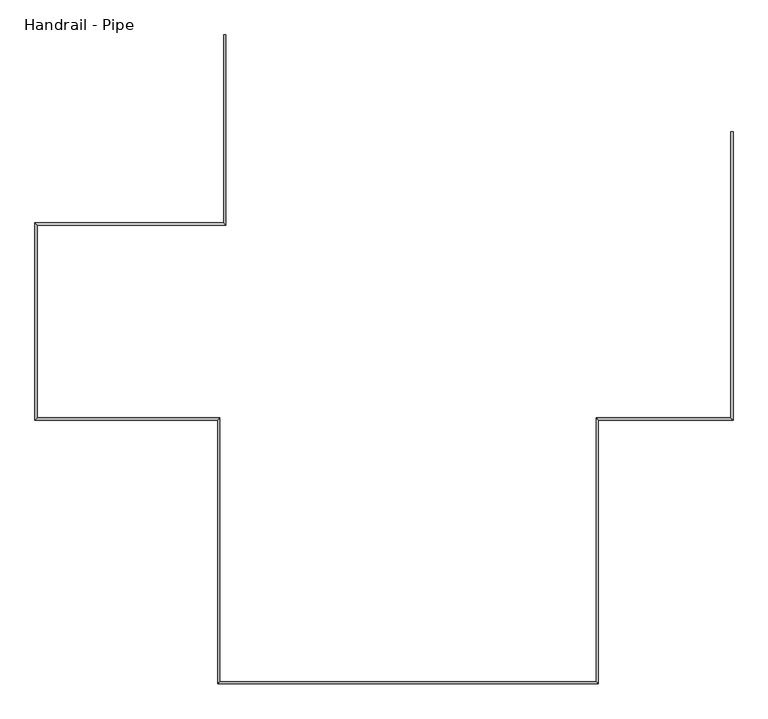
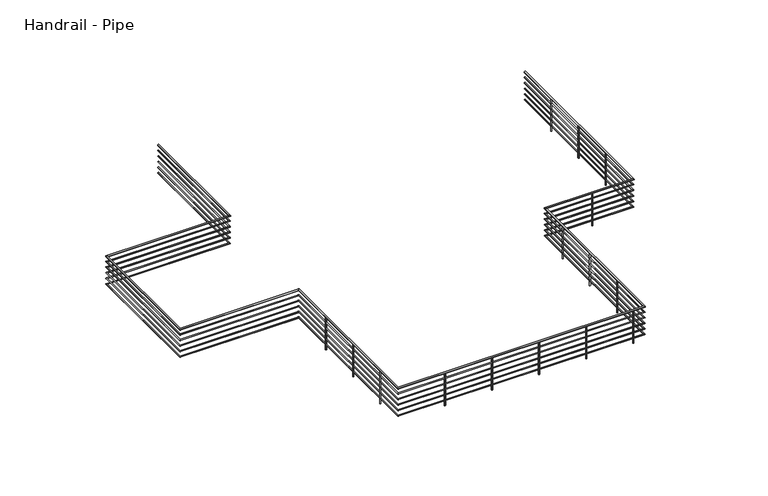
"""IFC4 building model written with IfcOpenShell, lengths in millimetres: railing geometry, Handrail - Pipe."""

from ifc_helpers import new_model, si_unit, point, frame, frame_2d, origin, place, context, project, spatial, circle_curve, ellipse_curve, trimmed, segment, composite_curve, outline, extrude, source, transform, mapped, element, save
from ifc_brep_helpers import plane_surface, cylinder_surface, advanced_brep


def handrail_pipe_3f1d4c90(model_context):
    return source(origin(), model_context, "Body", "SolidModel", [
        advanced_brep(
        [(264.7819622, 1194.538327, 3511.55), (226.6819622, 1194.538327, 3511.55), (8780.6819622, -440.461673, 3511.55), (8818.7819622, -440.461673, 3511.55), (264.7819622, -2012.924173, 3511.55), (226.6819622, -1974.824173, 3511.55), (-2917.6180378, -2012.924173, 3511.55), (-2955.7180378, -1974.824173, 3511.55), (-2917.6180378, -5264.211673, 3511.55), (-2955.7180378, -5302.311673, 3511.55), (163.1819622, -5264.211673, 3511.55), (125.0819622, -5302.311673, 3511.55), (163.1819622, -9710.211673, 3511.55), (125.0819622, -9748.311673, 3511.55), (6508.9694622, -9710.211673, 3511.55), (6547.0694622, -9748.311673, 3511.55), (6508.9694622, -5264.211673, 3511.55), (6547.0694622, -5302.311673, 3511.55), (8780.6819622, -5264.211673, 3511.55), (8818.7819622, -5302.311673, 3511.55)],
        [
            (0, 1, circle_curve(frame((245.7319622, 1194.538327, 3511.55), z_axis=(0.0, 1.0, 0.0), x_axis=(-1.0, 0.0, 0.0)), 19.05)),
            (1, 0, circle_curve(frame((245.7319622, 1194.538327, 3511.55), z_axis=(0.0, 1.0, 0.0), x_axis=(-1.0, 0.0, 0.0)), 19.05)),
            (2, 3, circle_curve(frame((8799.7319622, -440.461673, 3511.55), z_axis=(0.0, 1.0, 0.0), x_axis=(1.0, 0.0, 0.0)), 19.05)),
            (3, 2, circle_curve(frame((8799.7319622, -440.461673, 3511.55), z_axis=(0.0, 1.0, 0.0), x_axis=(1.0, 0.0, 0.0)), 19.05)),
            (0, 4),
            (4, 5, ellipse_curve(frame((245.7319622, -1993.874173, 3511.55), z_axis=(0.7071067811865492, 0.7071067811865458, 0.0), x_axis=(-0.7071067811865457, 0.7071067811865492, 0.0)), 26.9407684, 19.05)),
            (5, 1),
            (5, 4, ellipse_curve(frame((245.7319622, -1993.874173, 3511.55), z_axis=(0.7071067811865492, 0.7071067811865458, 0.0), x_axis=(-0.7071067811865457, 0.7071067811865492, 0.0)), 26.9407684, 19.05)),
            (4, 6),
            (6, 7, ellipse_curve(frame((-2936.6680378, -1993.874173, 3511.55), z_axis=(0.7071067811865492, 0.7071067811865458, 0.0), x_axis=(0.7071067811865458, -0.7071067811865491, 0.0)), 26.9407684, 19.05)),
            (7, 5),
            (7, 6, ellipse_curve(frame((-2936.6680378, -1993.874173, 3511.55), z_axis=(0.7071067811865492, 0.7071067811865458, 0.0), x_axis=(0.7071067811865458, -0.7071067811865491, 0.0)), 26.9407684, 19.05)),
            (6, 8),
            (8, 9, ellipse_curve(frame((-2936.6680378, -5283.261673, 3511.55), z_axis=(-0.7071067811865458, 0.7071067811865492, 0.0), x_axis=(0.7071067811865492, 0.7071067811865458, 0.0)), 26.9407684, 19.05)),
            (9, 7),
            (9, 8, ellipse_curve(frame((-2936.6680378, -5283.261673, 3511.55), z_axis=(-0.7071067811865458, 0.7071067811865492, 0.0), x_axis=(0.7071067811865492, 0.7071067811865458, 0.0)), 26.9407684, 19.05)),
            (8, 10),
            (10, 11, ellipse_curve(frame((144.1319622, -5283.261673, 3511.55), z_axis=(-0.7071067811865458, 0.7071067811865492, 0.0), x_axis=(-0.7071067811865491, -0.7071067811865458, 0.0)), 26.9407684, 19.05)),
            (11, 9),
            (11, 10, ellipse_curve(frame((144.1319622, -5283.261673, 3511.55), z_axis=(-0.7071067811865458, 0.7071067811865492, 0.0), x_axis=(-0.7071067811865491, -0.7071067811865458, 0.0)), 26.9407684, 19.05)),
            (10, 12),
            (12, 13, ellipse_curve(frame((144.1319622, -9729.261673, 3511.55), z_axis=(-0.7071067811865458, 0.7071067811865492, 0.0), x_axis=(0.7071067811865492, 0.7071067811865458, 0.0)), 26.9407684, 19.05)),
            (13, 11),
            (13, 12, ellipse_curve(frame((144.1319622, -9729.261673, 3511.55), z_axis=(-0.7071067811865458, 0.7071067811865492, 0.0), x_axis=(0.7071067811865492, 0.7071067811865458, 0.0)), 26.9407684, 19.05)),
            (12, 14),
            (14, 15, ellipse_curve(frame((6528.0194622, -9729.261673, 3511.55), z_axis=(-0.7071067811865492, -0.7071067811865458, 0.0), x_axis=(-0.7071067811865458, 0.7071067811865492, 0.0)), 26.9407684, 19.05)),
            (15, 13),
            (15, 14, ellipse_curve(frame((6528.0194622, -9729.261673, 3511.55), z_axis=(-0.7071067811865492, -0.7071067811865458, 0.0), x_axis=(-0.7071067811865458, 0.7071067811865492, 0.0)), 26.9407684, 19.05)),
            (14, 16),
            (16, 17, ellipse_curve(frame((6528.0194622, -5283.261673, 3511.55), z_axis=(-0.7071067811865492, -0.7071067811865457, 0.0), x_axis=(0.7071067811865457, -0.7071067811865495, 0.0)), 26.9407684, 19.05)),
            (17, 15),
            (17, 16, ellipse_curve(frame((6528.0194622, -5283.261673, 3511.55), z_axis=(-0.7071067811865492, -0.7071067811865457, 0.0), x_axis=(0.7071067811865457, -0.7071067811865495, 0.0)), 26.9407684, 19.05)),
            (16, 18),
            (18, 19, ellipse_curve(frame((8799.7319622, -5283.261673, 3511.55), z_axis=(-0.7071067811865493, -0.7071067811865457, 0.0), x_axis=(-0.7071067811865457, 0.7071067811865495, 0.0)), 26.9407684, 19.05)),
            (19, 17),
            (19, 18, ellipse_curve(frame((8799.7319622, -5283.261673, 3511.55), z_axis=(-0.7071067811865493, -0.7071067811865457, 0.0), x_axis=(-0.7071067811865457, 0.7071067811865495, 0.0)), 26.9407684, 19.05)),
            (18, 2),
            (3, 19),
        ],
        [
            plane_surface(frame((245.7319622, 1194.538327, 3530.6), z_axis=(0.0, 1.0, 0.0), x_axis=(0.0, 0.0, -1.0))),
            plane_surface(frame((8799.7319622, -440.461673, 3530.6), z_axis=(0.0, 1.0, 0.0), x_axis=(0.0, 0.0, 1.0))),
            cylinder_surface(frame((245.7319622, 1194.538327, 3511.55), z_axis=(0.0, 1.0, 0.0), x_axis=(-1.0, 0.0, 0.0)), 19.05),
            cylinder_surface(frame((245.7319622, -1993.874173, 3511.55), z_axis=(1.0, 0.0, 0.0), x_axis=(0.0, 1.0, 0.0)), 19.05),
            cylinder_surface(frame((-2936.6680378, -1993.874173, 3511.55), z_axis=(0.0, 1.0, 0.0), x_axis=(-1.0, 0.0, 0.0)), 19.05),
            cylinder_surface(frame((-2936.6680378, -5283.261673, 3511.55), z_axis=(-1.0, 0.0, 0.0), x_axis=(0.0, -1.0, 0.0)), 19.05),
            cylinder_surface(frame((144.1319622, -5283.261673, 3511.55), z_axis=(0.0, 1.0, 0.0), x_axis=(-1.0, 0.0, 0.0)), 19.05),
            cylinder_surface(frame((144.1319622, -9729.261673, 3511.55), z_axis=(-1.0, 0.0, 0.0), x_axis=(0.0, -1.0, 0.0)), 19.05),
            cylinder_surface(frame((6528.0194622, -9729.261673, 3511.55), z_axis=(0.0, -1.0, 0.0), x_axis=(1.0, 0.0, 0.0)), 19.05),
            cylinder_surface(frame((6528.0194622, -5283.261673, 3511.55), z_axis=(-1.0, 0.0, 0.0), x_axis=(0.0, -1.0, 0.0)), 19.05),
            cylinder_surface(frame((8799.7319622, -5283.261673, 3511.55), z_axis=(0.0, -1.0, 0.0), x_axis=(1.0, 0.0, 0.0)), 19.05),
        ],
        [
            (0, [[1, 2]]),
            (1, [[3, 4]]),
            (2, [[-1, 5, 6, 7]]),
            (2, [[-2, -7, 8, -5]]),
            (3, [[-6, 9, 10, 11]]),
            (3, [[-8, -11, 12, -9]]),
            (4, [[-10, 13, 14, 15]]),
            (4, [[-12, -15, 16, -13]]),
            (5, [[-14, 17, 18, 19]]),
            (5, [[-16, -19, 20, -17]]),
            (6, [[-18, 21, 22, 23]]),
            (6, [[-20, -23, 24, -21]]),
            (7, [[-22, 25, 26, 27]]),
            (7, [[-24, -27, 28, -25]]),
            (8, [[-26, 29, 30, 31]]),
            (8, [[-28, -31, 32, -29]]),
            (9, [[-30, 33, 34, 35]]),
            (9, [[-32, -35, 36, -33]]),
            (10, [[-34, 37, -4, 38]]),
            (10, [[-36, -38, -3, -37]]),
        ],
    ),
        advanced_brep(
        [(258.4319622, 1194.538327, 3365.5), (233.0319622, 1194.538327, 3365.5), (258.4319622, -2006.574173, 3365.5), (233.0319622, -1981.174173, 3365.5), (-2923.9680378, -2006.574173, 3365.5), (-2949.3680378, -1981.174173, 3365.5), (-2923.9680378, -5270.561673, 3365.5), (-2949.3680378, -5295.961673, 3365.5), (156.8319622, -5270.561673, 3365.5), (131.4319622, -5295.961673, 3365.5), (156.8319622, -9716.561673, 3365.5), (131.4319622, -9741.961673, 3365.5), (6515.3194622, -9716.561673, 3365.5), (6540.7194622, -9741.961673, 3365.5), (6515.3194622, -5270.561673, 3365.5), (6540.7194622, -5295.961673, 3365.5), (8787.0319622, -5270.561673, 3365.5), (8812.4319622, -5295.961673, 3365.5), (8787.0319622, -440.461673, 3365.5), (8812.4319622, -440.461673, 3365.5)],
        [
            (0, 1, circle_curve(frame((245.7319622, 1194.538327, 3365.5), z_axis=(0.0, 1.0, 0.0), x_axis=(-1.0, 0.0, 0.0)), 12.7)),
            (1, 0, circle_curve(frame((245.7319622, 1194.538327, 3365.5), z_axis=(0.0, 1.0, 0.0), x_axis=(-1.0, 0.0, 0.0)), 12.7)),
            (0, 2),
            (2, 3, ellipse_curve(frame((245.7319622, -1993.874173, 3365.5), z_axis=(0.7071067811865492, 0.7071067811865458, 0.0), x_axis=(-0.7071067811865457, 0.7071067811865492, 0.0)), 17.9605122, 12.7)),
            (3, 1),
            (3, 2, ellipse_curve(frame((245.7319622, -1993.874173, 3365.5), z_axis=(0.7071067811865492, 0.7071067811865458, 0.0), x_axis=(-0.7071067811865457, 0.7071067811865492, 0.0)), 17.9605122, 12.7)),
            (2, 4),
            (4, 5, ellipse_curve(frame((-2936.6680378, -1993.874173, 3365.5), z_axis=(0.7071067811865492, 0.7071067811865458, 0.0), x_axis=(0.7071067811865458, -0.7071067811865491, 0.0)), 17.9605122, 12.7)),
            (5, 3),
            (5, 4, ellipse_curve(frame((-2936.6680378, -1993.874173, 3365.5), z_axis=(0.7071067811865492, 0.7071067811865458, 0.0), x_axis=(0.7071067811865458, -0.7071067811865491, 0.0)), 17.9605122, 12.7)),
            (4, 6),
            (6, 7, ellipse_curve(frame((-2936.6680378, -5283.261673, 3365.5), z_axis=(-0.7071067811865458, 0.7071067811865492, 0.0), x_axis=(0.7071067811865492, 0.7071067811865458, 0.0)), 17.9605122, 12.7)),
            (7, 5),
            (7, 6, ellipse_curve(frame((-2936.6680378, -5283.261673, 3365.5), z_axis=(-0.7071067811865458, 0.7071067811865492, 0.0), x_axis=(0.7071067811865492, 0.7071067811865458, 0.0)), 17.9605122, 12.7)),
            (6, 8),
            (8, 9, ellipse_curve(frame((144.1319622, -5283.261673, 3365.5), z_axis=(-0.7071067811865458, 0.7071067811865492, 0.0), x_axis=(-0.7071067811865491, -0.7071067811865458, 0.0)), 17.9605122, 12.7)),
            (9, 7),
            (9, 8, ellipse_curve(frame((144.1319622, -5283.261673, 3365.5), z_axis=(-0.7071067811865458, 0.7071067811865492, 0.0), x_axis=(-0.7071067811865491, -0.7071067811865458, 0.0)), 17.9605122, 12.7)),
            (8, 10),
            (10, 11, ellipse_curve(frame((144.1319622, -9729.261673, 3365.5), z_axis=(-0.7071067811865458, 0.7071067811865492, 0.0), x_axis=(0.7071067811865492, 0.7071067811865458, 0.0)), 17.9605122, 12.7)),
            (11, 9),
            (11, 10, ellipse_curve(frame((144.1319622, -9729.261673, 3365.5), z_axis=(-0.7071067811865458, 0.7071067811865492, 0.0), x_axis=(0.7071067811865492, 0.7071067811865458, 0.0)), 17.9605122, 12.7)),
            (10, 12),
            (12, 13, ellipse_curve(frame((6528.0194622, -9729.261673, 3365.5), z_axis=(-0.7071067811865492, -0.7071067811865458, 0.0), x_axis=(-0.7071067811865458, 0.7071067811865492, 0.0)), 17.9605122, 12.7)),
            (13, 11),
            (13, 12, ellipse_curve(frame((6528.0194622, -9729.261673, 3365.5), z_axis=(-0.7071067811865492, -0.7071067811865458, 0.0), x_axis=(-0.7071067811865458, 0.7071067811865492, 0.0)), 17.9605122, 12.7)),
            (12, 14),
            (14, 15, ellipse_curve(frame((6528.0194622, -5283.261673, 3365.5), z_axis=(-0.7071067811865492, -0.7071067811865457, 0.0), x_axis=(0.7071067811865457, -0.7071067811865495, 0.0)), 17.9605122, 12.7)),
            (15, 13),
            (15, 14, ellipse_curve(frame((6528.0194622, -5283.261673, 3365.5), z_axis=(-0.7071067811865492, -0.7071067811865457, 0.0), x_axis=(0.7071067811865457, -0.7071067811865495, 0.0)), 17.9605122, 12.7)),
            (14, 16),
            (16, 17, ellipse_curve(frame((8799.7319622, -5283.261673, 3365.5), z_axis=(-0.7071067811865493, -0.7071067811865457, 0.0), x_axis=(-0.7071067811865457, 0.7071067811865495, 0.0)), 17.9605122, 12.7)),
            (17, 15),
            (17, 16, ellipse_curve(frame((8799.7319622, -5283.261673, 3365.5), z_axis=(-0.7071067811865493, -0.7071067811865457, 0.0), x_axis=(-0.7071067811865457, 0.7071067811865495, 0.0)), 17.9605122, 12.7)),
            (18, 19, circle_curve(frame((8799.7319622, -440.461673, 3365.5), z_axis=(0.0, 1.0, 0.0), x_axis=(1.0, 0.0, 0.0)), 12.7)),
            (19, 18, circle_curve(frame((8799.7319622, -440.461673, 3365.5), z_axis=(0.0, 1.0, 0.0), x_axis=(1.0, 0.0, 0.0)), 12.7)),
            (16, 18),
            (19, 17),
        ],
        [
            plane_surface(frame((245.7319622, 1194.538327, 3378.2), z_axis=(0.0, 1.0, 0.0), x_axis=(0.0, 0.0, -1.0))),
            cylinder_surface(frame((245.7319622, 1194.538327, 3365.5), z_axis=(0.0, 1.0, 0.0), x_axis=(-1.0, 0.0, 0.0)), 12.7),
            cylinder_surface(frame((245.7319622, -1993.874173, 3365.5), z_axis=(1.0, 0.0, 0.0), x_axis=(0.0, 1.0, 0.0)), 12.7),
            cylinder_surface(frame((-2936.6680378, -1993.874173, 3365.5), z_axis=(0.0, 1.0, 0.0), x_axis=(-1.0, 0.0, 0.0)), 12.7),
            cylinder_surface(frame((-2936.6680378, -5283.261673, 3365.5), z_axis=(-1.0, 0.0, 0.0), x_axis=(0.0, -1.0, 0.0)), 12.7),
            cylinder_surface(frame((144.1319622, -5283.261673, 3365.5), z_axis=(0.0, 1.0, 0.0), x_axis=(-1.0, 0.0, 0.0)), 12.7),
            cylinder_surface(frame((144.1319622, -9729.261673, 3365.5), z_axis=(-1.0, 0.0, 0.0), x_axis=(0.0, -1.0, 0.0)), 12.7),
            cylinder_surface(frame((6528.0194622, -9729.261673, 3365.5), z_axis=(0.0, -1.0, 0.0), x_axis=(1.0, 0.0, 0.0)), 12.7),
            cylinder_surface(frame((6528.0194622, -5283.261673, 3365.5), z_axis=(-1.0, 0.0, 0.0), x_axis=(0.0, -1.0, 0.0)), 12.7),
            plane_surface(frame((8799.7319622, -440.461673, 3378.2), z_axis=(0.0, 1.0, 0.0), x_axis=(0.0, 0.0, 1.0))),
            cylinder_surface(frame((8799.7319622, -5283.261673, 3365.5), z_axis=(0.0, -1.0, 0.0), x_axis=(1.0, 0.0, 0.0)), 12.7),
        ],
        [
            (0, [[1, 2]]),
            (1, [[-1, 3, 4, 5]]),
            (1, [[-2, -5, 6, -3]]),
            (2, [[-4, 7, 8, 9]]),
            (2, [[-6, -9, 10, -7]]),
            (3, [[-8, 11, 12, 13]]),
            (3, [[-10, -13, 14, -11]]),
            (4, [[-12, 15, 16, 17]]),
            (4, [[-14, -17, 18, -15]]),
            (5, [[-16, 19, 20, 21]]),
            (5, [[-18, -21, 22, -19]]),
            (6, [[-20, 23, 24, 25]]),
            (6, [[-22, -25, 26, -23]]),
            (7, [[-24, 27, 28, 29]]),
            (7, [[-26, -29, 30, -27]]),
            (8, [[-28, 31, 32, 33]]),
            (8, [[-30, -33, 34, -31]]),
            (9, [[35, 36]]),
            (10, [[-32, 37, -36, 38]]),
            (10, [[-34, -38, -35, -37]]),
        ],
    ),
        advanced_brep(
        [(258.4319622, 1194.538327, 3213.1), (233.0319622, 1194.538327, 3213.1), (258.4319622, -2006.574173, 3213.1), (233.0319622, -1981.174173, 3213.1), (-2923.9680378, -2006.574173, 3213.1), (-2949.3680378, -1981.174173, 3213.1), (-2923.9680378, -5270.561673, 3213.1), (-2949.3680378, -5295.961673, 3213.1), (156.8319622, -5270.561673, 3213.1), (131.4319622, -5295.961673, 3213.1), (156.8319622, -9716.561673, 3213.1), (131.4319622, -9741.961673, 3213.1), (6515.3194622, -9716.561673, 3213.1), (6540.7194622, -9741.961673, 3213.1), (6515.3194622, -5270.561673, 3213.1), (6540.7194622, -5295.961673, 3213.1), (8787.0319622, -5270.561673, 3213.1), (8812.4319622, -5295.961673, 3213.1), (8787.0319622, -440.461673, 3213.1), (8812.4319622, -440.461673, 3213.1)],
        [
            (0, 1, circle_curve(frame((245.7319622, 1194.538327, 3213.1), z_axis=(0.0, 1.0, 0.0), x_axis=(-1.0, 0.0, 0.0)), 12.7)),
            (1, 0, circle_curve(frame((245.7319622, 1194.538327, 3213.1), z_axis=(0.0, 1.0, 0.0), x_axis=(-1.0, 0.0, 0.0)), 12.7)),
            (0, 2),
            (2, 3, ellipse_curve(frame((245.7319622, -1993.874173, 3213.1), z_axis=(0.7071067811865492, 0.7071067811865458, 0.0), x_axis=(-0.7071067811865457, 0.7071067811865492, 0.0)), 17.9605122, 12.7)),
            (3, 1),
            (3, 2, ellipse_curve(frame((245.7319622, -1993.874173, 3213.1), z_axis=(0.7071067811865492, 0.7071067811865458, 0.0), x_axis=(-0.7071067811865457, 0.7071067811865492, 0.0)), 17.9605122, 12.7)),
            (2, 4),
            (4, 5, ellipse_curve(frame((-2936.6680378, -1993.874173, 3213.1), z_axis=(0.7071067811865492, 0.7071067811865458, 0.0), x_axis=(0.7071067811865458, -0.7071067811865491, 0.0)), 17.9605122, 12.7)),
            (5, 3),
            (5, 4, ellipse_curve(frame((-2936.6680378, -1993.874173, 3213.1), z_axis=(0.7071067811865492, 0.7071067811865458, 0.0), x_axis=(0.7071067811865458, -0.7071067811865491, 0.0)), 17.9605122, 12.7)),
            (4, 6),
            (6, 7, ellipse_curve(frame((-2936.6680378, -5283.261673, 3213.1), z_axis=(-0.7071067811865458, 0.7071067811865492, 0.0), x_axis=(0.7071067811865492, 0.7071067811865458, 0.0)), 17.9605122, 12.7)),
            (7, 5),
            (7, 6, ellipse_curve(frame((-2936.6680378, -5283.261673, 3213.1), z_axis=(-0.7071067811865458, 0.7071067811865492, 0.0), x_axis=(0.7071067811865492, 0.7071067811865458, 0.0)), 17.9605122, 12.7)),
            (6, 8),
            (8, 9, ellipse_curve(frame((144.1319622, -5283.261673, 3213.1), z_axis=(-0.7071067811865458, 0.7071067811865492, 0.0), x_axis=(-0.7071067811865491, -0.7071067811865458, 0.0)), 17.9605122, 12.7)),
            (9, 7),
            (9, 8, ellipse_curve(frame((144.1319622, -5283.261673, 3213.1), z_axis=(-0.7071067811865458, 0.7071067811865492, 0.0), x_axis=(-0.7071067811865491, -0.7071067811865458, 0.0)), 17.9605122, 12.7)),
            (8, 10),
            (10, 11, ellipse_curve(frame((144.1319622, -9729.261673, 3213.1), z_axis=(-0.7071067811865458, 0.7071067811865492, 0.0), x_axis=(0.7071067811865492, 0.7071067811865458, 0.0)), 17.9605122, 12.7)),
            (11, 9),
            (11, 10, ellipse_curve(frame((144.1319622, -9729.261673, 3213.1), z_axis=(-0.7071067811865458, 0.7071067811865492, 0.0), x_axis=(0.7071067811865492, 0.7071067811865458, 0.0)), 17.9605122, 12.7)),
            (10, 12),
            (12, 13, ellipse_curve(frame((6528.0194622, -9729.261673, 3213.1), z_axis=(-0.7071067811865492, -0.7071067811865458, 0.0), x_axis=(-0.7071067811865458, 0.7071067811865492, 0.0)), 17.9605122, 12.7)),
            (13, 11),
            (13, 12, ellipse_curve(frame((6528.0194622, -9729.261673, 3213.1), z_axis=(-0.7071067811865492, -0.7071067811865458, 0.0), x_axis=(-0.7071067811865458, 0.7071067811865492, 0.0)), 17.9605122, 12.7)),
            (12, 14),
            (14, 15, ellipse_curve(frame((6528.0194622, -5283.261673, 3213.1), z_axis=(-0.7071067811865492, -0.7071067811865457, 0.0), x_axis=(0.7071067811865457, -0.7071067811865495, 0.0)), 17.9605122, 12.7)),
            (15, 13),
            (15, 14, ellipse_curve(frame((6528.0194622, -5283.261673, 3213.1), z_axis=(-0.7071067811865492, -0.7071067811865457, 0.0), x_axis=(0.7071067811865457, -0.7071067811865495, 0.0)), 17.9605122, 12.7)),
            (14, 16),
            (16, 17, ellipse_curve(frame((8799.7319622, -5283.261673, 3213.1), z_axis=(-0.7071067811865493, -0.7071067811865457, 0.0), x_axis=(-0.7071067811865457, 0.7071067811865495, 0.0)), 17.9605122, 12.7)),
            (17, 15),
            (17, 16, ellipse_curve(frame((8799.7319622, -5283.261673, 3213.1), z_axis=(-0.7071067811865493, -0.7071067811865457, 0.0), x_axis=(-0.7071067811865457, 0.7071067811865495, 0.0)), 17.9605122, 12.7)),
            (18, 19, circle_curve(frame((8799.7319622, -440.461673, 3213.1), z_axis=(0.0, 1.0, 0.0), x_axis=(1.0, 0.0, 0.0)), 12.7)),
            (19, 18, circle_curve(frame((8799.7319622, -440.461673, 3213.1), z_axis=(0.0, 1.0, 0.0), x_axis=(1.0, 0.0, 0.0)), 12.7)),
            (16, 18),
            (19, 17),
        ],
        [
            plane_surface(frame((245.7319622, 1194.538327, 3225.8), z_axis=(0.0, 1.0, 0.0), x_axis=(0.0, 0.0, -1.0))),
            cylinder_surface(frame((245.7319622, 1194.538327, 3213.1), z_axis=(0.0, 1.0, 0.0), x_axis=(-1.0, 0.0, 0.0)), 12.7),
            cylinder_surface(frame((245.7319622, -1993.874173, 3213.1), z_axis=(1.0, 0.0, 0.0), x_axis=(0.0, 1.0, 0.0)), 12.7),
            cylinder_surface(frame((-2936.6680378, -1993.874173, 3213.1), z_axis=(0.0, 1.0, 0.0), x_axis=(-1.0, 0.0, 0.0)), 12.7),
            cylinder_surface(frame((-2936.6680378, -5283.261673, 3213.1), z_axis=(-1.0, 0.0, 0.0), x_axis=(0.0, -1.0, 0.0)), 12.7),
            cylinder_surface(frame((144.1319622, -5283.261673, 3213.1), z_axis=(0.0, 1.0, 0.0), x_axis=(-1.0, 0.0, 0.0)), 12.7),
            cylinder_surface(frame((144.1319622, -9729.261673, 3213.1), z_axis=(-1.0, 0.0, 0.0), x_axis=(0.0, -1.0, 0.0)), 12.7),
            cylinder_surface(frame((6528.0194622, -9729.261673, 3213.1), z_axis=(0.0, -1.0, 0.0), x_axis=(1.0, 0.0, 0.0)), 12.7),
            cylinder_surface(frame((6528.0194622, -5283.261673, 3213.1), z_axis=(-1.0, 0.0, 0.0), x_axis=(0.0, -1.0, 0.0)), 12.7),
            plane_surface(frame((8799.7319622, -440.461673, 3225.8), z_axis=(0.0, 1.0, 0.0), x_axis=(0.0, 0.0, 1.0))),
            cylinder_surface(frame((8799.7319622, -5283.261673, 3213.1), z_axis=(0.0, -1.0, 0.0), x_axis=(1.0, 0.0, 0.0)), 12.7),
        ],
        [
            (0, [[1, 2]]),
            (1, [[-1, 3, 4, 5]]),
            (1, [[-2, -5, 6, -3]]),
            (2, [[-4, 7, 8, 9]]),
            (2, [[-6, -9, 10, -7]]),
            (3, [[-8, 11, 12, 13]]),
            (3, [[-10, -13, 14, -11]]),
            (4, [[-12, 15, 16, 17]]),
            (4, [[-14, -17, 18, -15]]),
            (5, [[-16, 19, 20, 21]]),
            (5, [[-18, -21, 22, -19]]),
            (6, [[-20, 23, 24, 25]]),
            (6, [[-22, -25, 26, -23]]),
            (7, [[-24, 27, 28, 29]]),
            (7, [[-26, -29, 30, -27]]),
            (8, [[-28, 31, 32, 33]]),
            (8, [[-30, -33, 34, -31]]),
            (9, [[35, 36]]),
            (10, [[-32, 37, -36, 38]]),
            (10, [[-34, -38, -35, -37]]),
        ],
    ),
        advanced_brep(
        [(258.4319622, 1194.538327, 3060.7), (233.0319622, 1194.538327, 3060.7), (258.4319622, -2006.574173, 3060.7), (233.0319622, -1981.174173, 3060.7), (-2923.9680378, -2006.574173, 3060.7), (-2949.3680378, -1981.174173, 3060.7), (-2923.9680378, -5270.561673, 3060.7), (-2949.3680378, -5295.961673, 3060.7), (156.8319622, -5270.561673, 3060.7), (131.4319622, -5295.961673, 3060.7), (156.8319622, -9716.561673, 3060.7), (131.4319622, -9741.961673, 3060.7), (6515.3194622, -9716.561673, 3060.7), (6540.7194622, -9741.961673, 3060.7), (6515.3194622, -5270.561673, 3060.7), (6540.7194622, -5295.961673, 3060.7), (8787.0319622, -5270.561673, 3060.7), (8812.4319622, -5295.961673, 3060.7), (8787.0319622, -440.461673, 3060.7), (8812.4319622, -440.461673, 3060.7)],
        [
            (0, 1, circle_curve(frame((245.7319622, 1194.538327, 3060.7), z_axis=(0.0, 1.0, 0.0), x_axis=(-1.0, 0.0, 0.0)), 12.7)),
            (1, 0, circle_curve(frame((245.7319622, 1194.538327, 3060.7), z_axis=(0.0, 1.0, 0.0), x_axis=(-1.0, 0.0, 0.0)), 12.7)),
            (0, 2),
            (2, 3, ellipse_curve(frame((245.7319622, -1993.874173, 3060.7), z_axis=(0.7071067811865492, 0.7071067811865458, 0.0), x_axis=(-0.7071067811865457, 0.7071067811865492, 0.0)), 17.9605122, 12.7)),
            (3, 1),
            (3, 2, ellipse_curve(frame((245.7319622, -1993.874173, 3060.7), z_axis=(0.7071067811865492, 0.7071067811865458, 0.0), x_axis=(-0.7071067811865457, 0.7071067811865492, 0.0)), 17.9605122, 12.7)),
            (2, 4),
            (4, 5, ellipse_curve(frame((-2936.6680378, -1993.874173, 3060.7), z_axis=(0.7071067811865492, 0.7071067811865458, 0.0), x_axis=(0.7071067811865458, -0.7071067811865491, 0.0)), 17.9605122, 12.7)),
            (5, 3),
            (5, 4, ellipse_curve(frame((-2936.6680378, -1993.874173, 3060.7), z_axis=(0.7071067811865492, 0.7071067811865458, 0.0), x_axis=(0.7071067811865458, -0.7071067811865491, 0.0)), 17.9605122, 12.7)),
            (4, 6),
            (6, 7, ellipse_curve(frame((-2936.6680378, -5283.261673, 3060.7), z_axis=(-0.7071067811865458, 0.7071067811865492, 0.0), x_axis=(0.7071067811865492, 0.7071067811865458, 0.0)), 17.9605122, 12.7)),
            (7, 5),
            (7, 6, ellipse_curve(frame((-2936.6680378, -5283.261673, 3060.7), z_axis=(-0.7071067811865458, 0.7071067811865492, 0.0), x_axis=(0.7071067811865492, 0.7071067811865458, 0.0)), 17.9605122, 12.7)),
            (6, 8),
            (8, 9, ellipse_curve(frame((144.1319622, -5283.261673, 3060.7), z_axis=(-0.7071067811865458, 0.7071067811865492, 0.0), x_axis=(-0.7071067811865491, -0.7071067811865458, 0.0)), 17.9605122, 12.7)),
            (9, 7),
            (9, 8, ellipse_curve(frame((144.1319622, -5283.261673, 3060.7), z_axis=(-0.7071067811865458, 0.7071067811865492, 0.0), x_axis=(-0.7071067811865491, -0.7071067811865458, 0.0)), 17.9605122, 12.7)),
            (8, 10),
            (10, 11, ellipse_curve(frame((144.1319622, -9729.261673, 3060.7), z_axis=(-0.7071067811865458, 0.7071067811865492, 0.0), x_axis=(0.7071067811865492, 0.7071067811865458, 0.0)), 17.9605122, 12.7)),
            (11, 9),
            (11, 10, ellipse_curve(frame((144.1319622, -9729.261673, 3060.7), z_axis=(-0.7071067811865458, 0.7071067811865492, 0.0), x_axis=(0.7071067811865492, 0.7071067811865458, 0.0)), 17.9605122, 12.7)),
            (10, 12),
            (12, 13, ellipse_curve(frame((6528.0194622, -9729.261673, 3060.7), z_axis=(-0.7071067811865492, -0.7071067811865458, 0.0), x_axis=(-0.7071067811865458, 0.7071067811865492, 0.0)), 17.9605122, 12.7)),
            (13, 11),
            (13, 12, ellipse_curve(frame((6528.0194622, -9729.261673, 3060.7), z_axis=(-0.7071067811865492, -0.7071067811865458, 0.0), x_axis=(-0.7071067811865458, 0.7071067811865492, 0.0)), 17.9605122, 12.7)),
            (12, 14),
            (14, 15, ellipse_curve(frame((6528.0194622, -5283.261673, 3060.7), z_axis=(-0.7071067811865492, -0.7071067811865457, 0.0), x_axis=(0.7071067811865457, -0.7071067811865495, 0.0)), 17.9605122, 12.7)),
            (15, 13),
            (15, 14, ellipse_curve(frame((6528.0194622, -5283.261673, 3060.7), z_axis=(-0.7071067811865492, -0.7071067811865457, 0.0), x_axis=(0.7071067811865457, -0.7071067811865495, 0.0)), 17.9605122, 12.7)),
            (14, 16),
            (16, 17, ellipse_curve(frame((8799.7319622, -5283.261673, 3060.7), z_axis=(-0.7071067811865493, -0.7071067811865457, 0.0), x_axis=(-0.7071067811865457, 0.7071067811865495, 0.0)), 17.9605122, 12.7)),
            (17, 15),
            (17, 16, ellipse_curve(frame((8799.7319622, -5283.261673, 3060.7), z_axis=(-0.7071067811865493, -0.7071067811865457, 0.0), x_axis=(-0.7071067811865457, 0.7071067811865495, 0.0)), 17.9605122, 12.7)),
            (18, 19, circle_curve(frame((8799.7319622, -440.461673, 3060.7), z_axis=(0.0, 1.0, 0.0), x_axis=(1.0, 0.0, 0.0)), 12.7)),
            (19, 18, circle_curve(frame((8799.7319622, -440.461673, 3060.7), z_axis=(0.0, 1.0, 0.0), x_axis=(1.0, 0.0, 0.0)), 12.7)),
            (16, 18),
            (19, 17),
        ],
        [
            plane_surface(frame((245.7319622, 1194.538327, 3073.4), z_axis=(0.0, 1.0, 0.0), x_axis=(0.0, 0.0, -1.0))),
            cylinder_surface(frame((245.7319622, 1194.538327, 3060.7), z_axis=(0.0, 1.0, 0.0), x_axis=(-1.0, 0.0, 0.0)), 12.7),
            cylinder_surface(frame((245.7319622, -1993.874173, 3060.7), z_axis=(1.0, 0.0, 0.0), x_axis=(0.0, 1.0, 0.0)), 12.7),
            cylinder_surface(frame((-2936.6680378, -1993.874173, 3060.7), z_axis=(0.0, 1.0, 0.0), x_axis=(-1.0, 0.0, 0.0)), 12.7),
            cylinder_surface(frame((-2936.6680378, -5283.261673, 3060.7), z_axis=(-1.0, 0.0, 0.0), x_axis=(0.0, -1.0, 0.0)), 12.7),
            cylinder_surface(frame((144.1319622, -5283.261673, 3060.7), z_axis=(0.0, 1.0, 0.0), x_axis=(-1.0, 0.0, 0.0)), 12.7),
            cylinder_surface(frame((144.1319622, -9729.261673, 3060.7), z_axis=(-1.0, 0.0, 0.0), x_axis=(0.0, -1.0, 0.0)), 12.7),
            cylinder_surface(frame((6528.0194622, -9729.261673, 3060.7), z_axis=(0.0, -1.0, 0.0), x_axis=(1.0, 0.0, 0.0)), 12.7),
            cylinder_surface(frame((6528.0194622, -5283.261673, 3060.7), z_axis=(-1.0, 0.0, 0.0), x_axis=(0.0, -1.0, 0.0)), 12.7),
            plane_surface(frame((8799.7319622, -440.461673, 3073.4), z_axis=(0.0, 1.0, 0.0), x_axis=(0.0, 0.0, 1.0))),
            cylinder_surface(frame((8799.7319622, -5283.261673, 3060.7), z_axis=(0.0, -1.0, 0.0), x_axis=(1.0, 0.0, 0.0)), 12.7),
        ],
        [
            (0, [[1, 2]]),
            (1, [[-1, 3, 4, 5]]),
            (1, [[-2, -5, 6, -3]]),
            (2, [[-4, 7, 8, 9]]),
            (2, [[-6, -9, 10, -7]]),
            (3, [[-8, 11, 12, 13]]),
            (3, [[-10, -13, 14, -11]]),
            (4, [[-12, 15, 16, 17]]),
            (4, [[-14, -17, 18, -15]]),
            (5, [[-16, 19, 20, 21]]),
            (5, [[-18, -21, 22, -19]]),
            (6, [[-20, 23, 24, 25]]),
            (6, [[-22, -25, 26, -23]]),
            (7, [[-24, 27, 28, 29]]),
            (7, [[-26, -29, 30, -27]]),
            (8, [[-28, 31, 32, 33]]),
            (8, [[-30, -33, 34, -31]]),
            (9, [[35, 36]]),
            (10, [[-32, 37, -36, 38]]),
            (10, [[-34, -38, -35, -37]]),
        ],
    ),
        advanced_brep(
        [(258.4319622, 1194.538327, 2908.3), (233.0319622, 1194.538327, 2908.3), (258.4319622, -2006.574173, 2908.3), (233.0319622, -1981.174173, 2908.3), (-2923.9680378, -2006.574173, 2908.3), (-2949.3680378, -1981.174173, 2908.3), (-2923.9680378, -5270.561673, 2908.3), (-2949.3680378, -5295.961673, 2908.3), (156.8319622, -5270.561673, 2908.3), (131.4319622, -5295.961673, 2908.3), (156.8319622, -9716.561673, 2908.3), (131.4319622, -9741.961673, 2908.3), (6515.3194622, -9716.561673, 2908.3), (6540.7194622, -9741.961673, 2908.3), (6515.3194622, -5270.561673, 2908.3), (6540.7194622, -5295.961673, 2908.3), (8787.0319622, -5270.561673, 2908.3), (8812.4319622, -5295.961673, 2908.3), (8787.0319622, -440.461673, 2908.3), (8812.4319622, -440.461673, 2908.3)],
        [
            (0, 1, circle_curve(frame((245.7319622, 1194.538327, 2908.3), z_axis=(0.0, 1.0, 0.0), x_axis=(-1.0, 0.0, 0.0)), 12.7)),
            (1, 0, circle_curve(frame((245.7319622, 1194.538327, 2908.3), z_axis=(0.0, 1.0, 0.0), x_axis=(-1.0, 0.0, 0.0)), 12.7)),
            (0, 2),
            (2, 3, ellipse_curve(frame((245.7319622, -1993.874173, 2908.3), z_axis=(0.7071067811865492, 0.7071067811865458, 0.0), x_axis=(-0.7071067811865457, 0.7071067811865492, 0.0)), 17.9605122, 12.7)),
            (3, 1),
            (3, 2, ellipse_curve(frame((245.7319622, -1993.874173, 2908.3), z_axis=(0.7071067811865492, 0.7071067811865458, 0.0), x_axis=(-0.7071067811865457, 0.7071067811865492, 0.0)), 17.9605122, 12.7)),
            (2, 4),
            (4, 5, ellipse_curve(frame((-2936.6680378, -1993.874173, 2908.3), z_axis=(0.7071067811865492, 0.7071067811865458, 0.0), x_axis=(0.7071067811865458, -0.7071067811865491, 0.0)), 17.9605122, 12.7)),
            (5, 3),
            (5, 4, ellipse_curve(frame((-2936.6680378, -1993.874173, 2908.3), z_axis=(0.7071067811865492, 0.7071067811865458, 0.0), x_axis=(0.7071067811865458, -0.7071067811865491, 0.0)), 17.9605122, 12.7)),
            (4, 6),
            (6, 7, ellipse_curve(frame((-2936.6680378, -5283.261673, 2908.3), z_axis=(-0.7071067811865458, 0.7071067811865492, 0.0), x_axis=(0.7071067811865492, 0.7071067811865458, 0.0)), 17.9605122, 12.7)),
            (7, 5),
            (7, 6, ellipse_curve(frame((-2936.6680378, -5283.261673, 2908.3), z_axis=(-0.7071067811865458, 0.7071067811865492, 0.0), x_axis=(0.7071067811865492, 0.7071067811865458, 0.0)), 17.9605122, 12.7)),
            (6, 8),
            (8, 9, ellipse_curve(frame((144.1319622, -5283.261673, 2908.3), z_axis=(-0.7071067811865458, 0.7071067811865492, 0.0), x_axis=(-0.7071067811865491, -0.7071067811865458, 0.0)), 17.9605122, 12.7)),
            (9, 7),
            (9, 8, ellipse_curve(frame((144.1319622, -5283.261673, 2908.3), z_axis=(-0.7071067811865458, 0.7071067811865492, 0.0), x_axis=(-0.7071067811865491, -0.7071067811865458, 0.0)), 17.9605122, 12.7)),
            (8, 10),
            (10, 11, ellipse_curve(frame((144.1319622, -9729.261673, 2908.3), z_axis=(-0.7071067811865458, 0.7071067811865492, 0.0), x_axis=(0.7071067811865492, 0.7071067811865458, 0.0)), 17.9605122, 12.7)),
            (11, 9),
            (11, 10, ellipse_curve(frame((144.1319622, -9729.261673, 2908.3), z_axis=(-0.7071067811865458, 0.7071067811865492, 0.0), x_axis=(0.7071067811865492, 0.7071067811865458, 0.0)), 17.9605122, 12.7)),
            (10, 12),
            (12, 13, ellipse_curve(frame((6528.0194622, -9729.261673, 2908.3), z_axis=(-0.7071067811865492, -0.7071067811865458, 0.0), x_axis=(-0.7071067811865458, 0.7071067811865492, 0.0)), 17.9605122, 12.7)),
            (13, 11),
            (13, 12, ellipse_curve(frame((6528.0194622, -9729.261673, 2908.3), z_axis=(-0.7071067811865492, -0.7071067811865458, 0.0), x_axis=(-0.7071067811865458, 0.7071067811865492, 0.0)), 17.9605122, 12.7)),
            (12, 14),
            (14, 15, ellipse_curve(frame((6528.0194622, -5283.261673, 2908.3), z_axis=(-0.7071067811865492, -0.7071067811865457, 0.0), x_axis=(0.7071067811865457, -0.7071067811865495, 0.0)), 17.9605122, 12.7)),
            (15, 13),
            (15, 14, ellipse_curve(frame((6528.0194622, -5283.261673, 2908.3), z_axis=(-0.7071067811865492, -0.7071067811865457, 0.0), x_axis=(0.7071067811865457, -0.7071067811865495, 0.0)), 17.9605122, 12.7)),
            (14, 16),
            (16, 17, ellipse_curve(frame((8799.7319622, -5283.261673, 2908.3), z_axis=(-0.7071067811865493, -0.7071067811865457, 0.0), x_axis=(-0.7071067811865457, 0.7071067811865495, 0.0)), 17.9605122, 12.7)),
            (17, 15),
            (17, 16, ellipse_curve(frame((8799.7319622, -5283.261673, 2908.3), z_axis=(-0.7071067811865493, -0.7071067811865457, 0.0), x_axis=(-0.7071067811865457, 0.7071067811865495, 0.0)), 17.9605122, 12.7)),
            (18, 19, circle_curve(frame((8799.7319622, -440.461673, 2908.3), z_axis=(0.0, 1.0, 0.0), x_axis=(1.0, 0.0, 0.0)), 12.7)),
            (19, 18, circle_curve(frame((8799.7319622, -440.461673, 2908.3), z_axis=(0.0, 1.0, 0.0), x_axis=(1.0, 0.0, 0.0)), 12.7)),
            (16, 18),
            (19, 17),
        ],
        [
            plane_surface(frame((245.7319622, 1194.538327, 2921.0), z_axis=(0.0, 1.0, 0.0), x_axis=(0.0, 0.0, -1.0))),
            cylinder_surface(frame((245.7319622, 1194.538327, 2908.3), z_axis=(0.0, 1.0, 0.0), x_axis=(-1.0, 0.0, 0.0)), 12.7),
            cylinder_surface(frame((245.7319622, -1993.874173, 2908.3), z_axis=(1.0, 0.0, 0.0), x_axis=(0.0, 1.0, 0.0)), 12.7),
            cylinder_surface(frame((-2936.6680378, -1993.874173, 2908.3), z_axis=(0.0, 1.0, 0.0), x_axis=(-1.0, 0.0, 0.0)), 12.7),
            cylinder_surface(frame((-2936.6680378, -5283.261673, 2908.3), z_axis=(-1.0, 0.0, 0.0), x_axis=(0.0, -1.0, 0.0)), 12.7),
            cylinder_surface(frame((144.1319622, -5283.261673, 2908.3), z_axis=(0.0, 1.0, 0.0), x_axis=(-1.0, 0.0, 0.0)), 12.7),
            cylinder_surface(frame((144.1319622, -9729.261673, 2908.3), z_axis=(-1.0, 0.0, 0.0), x_axis=(0.0, -1.0, 0.0)), 12.7),
            cylinder_surface(frame((6528.0194622, -9729.261673, 2908.3), z_axis=(0.0, -1.0, 0.0), x_axis=(1.0, 0.0, 0.0)), 12.7),
            cylinder_surface(frame((6528.0194622, -5283.261673, 2908.3), z_axis=(-1.0, 0.0, 0.0), x_axis=(0.0, -1.0, 0.0)), 12.7),
            plane_surface(frame((8799.7319622, -440.461673, 2921.0), z_axis=(0.0, 1.0, 0.0), x_axis=(0.0, 0.0, 1.0))),
            cylinder_surface(frame((8799.7319622, -5283.261673, 2908.3), z_axis=(0.0, -1.0, 0.0), x_axis=(1.0, 0.0, 0.0)), 12.7),
        ],
        [
            (0, [[1, 2]]),
            (1, [[-1, 3, 4, 5]]),
            (1, [[-2, -5, 6, -3]]),
            (2, [[-4, 7, 8, 9]]),
            (2, [[-6, -9, 10, -7]]),
            (3, [[-8, 11, 12, 13]]),
            (3, [[-10, -13, 14, -11]]),
            (4, [[-12, 15, 16, 17]]),
            (4, [[-14, -17, 18, -15]]),
            (5, [[-16, 19, 20, 21]]),
            (5, [[-18, -21, 22, -19]]),
            (6, [[-20, 23, 24, 25]]),
            (6, [[-22, -25, 26, -23]]),
            (7, [[-24, 27, 28, 29]]),
            (7, [[-26, -29, 30, -27]]),
            (8, [[-28, 31, 32, 33]]),
            (8, [[-30, -33, 34, -31]]),
            (9, [[35, 36]]),
            (10, [[-32, 37, -36, 38]]),
            (10, [[-34, -38, -35, -37]]),
        ],
    ),
        advanced_brep(
        [(258.4319622, 1194.538327, 2755.9), (233.0319622, 1194.538327, 2755.9), (258.4319622, -2006.574173, 2755.9), (233.0319622, -1981.174173, 2755.9), (-2923.9680378, -2006.574173, 2755.9), (-2949.3680378, -1981.174173, 2755.9), (-2923.9680378, -5270.561673, 2755.9), (-2949.3680378, -5295.961673, 2755.9), (156.8319622, -5270.561673, 2755.9), (131.4319622, -5295.961673, 2755.9), (156.8319622, -9716.561673, 2755.9), (131.4319622, -9741.961673, 2755.9), (6515.3194622, -9716.561673, 2755.9), (6540.7194622, -9741.961673, 2755.9), (6515.3194622, -5270.561673, 2755.9), (6540.7194622, -5295.961673, 2755.9), (8787.0319622, -5270.561673, 2755.9), (8812.4319622, -5295.961673, 2755.9), (8787.0319622, -440.461673, 2755.9), (8812.4319622, -440.461673, 2755.9)],
        [
            (0, 1, circle_curve(frame((245.7319622, 1194.538327, 2755.9), z_axis=(0.0, 1.0, 0.0), x_axis=(-1.0, 0.0, 0.0)), 12.7)),
            (1, 0, circle_curve(frame((245.7319622, 1194.538327, 2755.9), z_axis=(0.0, 1.0, 0.0), x_axis=(-1.0, 0.0, 0.0)), 12.7)),
            (0, 2),
            (2, 3, ellipse_curve(frame((245.7319622, -1993.874173, 2755.9), z_axis=(0.7071067811865492, 0.7071067811865458, 0.0), x_axis=(-0.7071067811865457, 0.7071067811865492, 0.0)), 17.9605122, 12.7)),
            (3, 1),
            (3, 2, ellipse_curve(frame((245.7319622, -1993.874173, 2755.9), z_axis=(0.7071067811865492, 0.7071067811865458, 0.0), x_axis=(-0.7071067811865457, 0.7071067811865492, 0.0)), 17.9605122, 12.7)),
            (2, 4),
            (4, 5, ellipse_curve(frame((-2936.6680378, -1993.874173, 2755.9), z_axis=(0.7071067811865492, 0.7071067811865458, 0.0), x_axis=(0.7071067811865458, -0.7071067811865491, 0.0)), 17.9605122, 12.7)),
            (5, 3),
            (5, 4, ellipse_curve(frame((-2936.6680378, -1993.874173, 2755.9), z_axis=(0.7071067811865492, 0.7071067811865458, 0.0), x_axis=(0.7071067811865458, -0.7071067811865491, 0.0)), 17.9605122, 12.7)),
            (4, 6),
            (6, 7, ellipse_curve(frame((-2936.6680378, -5283.261673, 2755.9), z_axis=(-0.7071067811865458, 0.7071067811865492, 0.0), x_axis=(0.7071067811865492, 0.7071067811865458, 0.0)), 17.9605122, 12.7)),
            (7, 5),
            (7, 6, ellipse_curve(frame((-2936.6680378, -5283.261673, 2755.9), z_axis=(-0.7071067811865458, 0.7071067811865492, 0.0), x_axis=(0.7071067811865492, 0.7071067811865458, 0.0)), 17.9605122, 12.7)),
            (6, 8),
            (8, 9, ellipse_curve(frame((144.1319622, -5283.261673, 2755.9), z_axis=(-0.7071067811865458, 0.7071067811865492, 0.0), x_axis=(-0.7071067811865491, -0.7071067811865458, 0.0)), 17.9605122, 12.7)),
            (9, 7),
            (9, 8, ellipse_curve(frame((144.1319622, -5283.261673, 2755.9), z_axis=(-0.7071067811865458, 0.7071067811865492, 0.0), x_axis=(-0.7071067811865491, -0.7071067811865458, 0.0)), 17.9605122, 12.7)),
            (8, 10),
            (10, 11, ellipse_curve(frame((144.1319622, -9729.261673, 2755.9), z_axis=(-0.7071067811865458, 0.7071067811865492, 0.0), x_axis=(0.7071067811865492, 0.7071067811865458, 0.0)), 17.9605122, 12.7)),
            (11, 9),
            (11, 10, ellipse_curve(frame((144.1319622, -9729.261673, 2755.9), z_axis=(-0.7071067811865458, 0.7071067811865492, 0.0), x_axis=(0.7071067811865492, 0.7071067811865458, 0.0)), 17.9605122, 12.7)),
            (10, 12),
            (12, 13, ellipse_curve(frame((6528.0194622, -9729.261673, 2755.9), z_axis=(-0.7071067811865492, -0.7071067811865458, 0.0), x_axis=(-0.7071067811865458, 0.7071067811865492, 0.0)), 17.9605122, 12.7)),
            (13, 11),
            (13, 12, ellipse_curve(frame((6528.0194622, -9729.261673, 2755.9), z_axis=(-0.7071067811865492, -0.7071067811865458, 0.0), x_axis=(-0.7071067811865458, 0.7071067811865492, 0.0)), 17.9605122, 12.7)),
            (12, 14),
            (14, 15, ellipse_curve(frame((6528.0194622, -5283.261673, 2755.9), z_axis=(-0.7071067811865492, -0.7071067811865457, 0.0), x_axis=(0.7071067811865457, -0.7071067811865495, 0.0)), 17.9605122, 12.7)),
            (15, 13),
            (15, 14, ellipse_curve(frame((6528.0194622, -5283.261673, 2755.9), z_axis=(-0.7071067811865492, -0.7071067811865457, 0.0), x_axis=(0.7071067811865457, -0.7071067811865495, 0.0)), 17.9605122, 12.7)),
            (14, 16),
            (16, 17, ellipse_curve(frame((8799.7319622, -5283.261673, 2755.9), z_axis=(-0.7071067811865493, -0.7071067811865457, 0.0), x_axis=(-0.7071067811865457, 0.7071067811865495, 0.0)), 17.9605122, 12.7)),
            (17, 15),
            (17, 16, ellipse_curve(frame((8799.7319622, -5283.261673, 2755.9), z_axis=(-0.7071067811865493, -0.7071067811865457, 0.0), x_axis=(-0.7071067811865457, 0.7071067811865495, 0.0)), 17.9605122, 12.7)),
            (18, 19, circle_curve(frame((8799.7319622, -440.461673, 2755.9), z_axis=(0.0, 1.0, 0.0), x_axis=(1.0, 0.0, 0.0)), 12.7)),
            (19, 18, circle_curve(frame((8799.7319622, -440.461673, 2755.9), z_axis=(0.0, 1.0, 0.0), x_axis=(1.0, 0.0, 0.0)), 12.7)),
            (16, 18),
            (19, 17),
        ],
        [
            plane_surface(frame((245.7319622, 1194.538327, 2768.6), z_axis=(0.0, 1.0, 0.0), x_axis=(0.0, 0.0, -1.0))),
            cylinder_surface(frame((245.7319622, 1194.538327, 2755.9), z_axis=(0.0, 1.0, 0.0), x_axis=(-1.0, 0.0, 0.0)), 12.7),
            cylinder_surface(frame((245.7319622, -1993.874173, 2755.9), z_axis=(1.0, 0.0, 0.0), x_axis=(0.0, 1.0, 0.0)), 12.7),
            cylinder_surface(frame((-2936.6680378, -1993.874173, 2755.9), z_axis=(0.0, 1.0, 0.0), x_axis=(-1.0, 0.0, 0.0)), 12.7),
            cylinder_surface(frame((-2936.6680378, -5283.261673, 2755.9), z_axis=(-1.0, 0.0, 0.0), x_axis=(0.0, -1.0, 0.0)), 12.7),
            cylinder_surface(frame((144.1319622, -5283.261673, 2755.9), z_axis=(0.0, 1.0, 0.0), x_axis=(-1.0, 0.0, 0.0)), 12.7),
            cylinder_surface(frame((144.1319622, -9729.261673, 2755.9), z_axis=(-1.0, 0.0, 0.0), x_axis=(0.0, -1.0, 0.0)), 12.7),
            cylinder_surface(frame((6528.0194622, -9729.261673, 2755.9), z_axis=(0.0, -1.0, 0.0), x_axis=(1.0, 0.0, 0.0)), 12.7),
            cylinder_surface(frame((6528.0194622, -5283.261673, 2755.9), z_axis=(-1.0, 0.0, 0.0), x_axis=(0.0, -1.0, 0.0)), 12.7),
            plane_surface(frame((8799.7319622, -440.461673, 2768.6), z_axis=(0.0, 1.0, 0.0), x_axis=(0.0, 0.0, 1.0))),
            cylinder_surface(frame((8799.7319622, -5283.261673, 2755.9), z_axis=(0.0, -1.0, 0.0), x_axis=(1.0, 0.0, 0.0)), 12.7),
        ],
        [
            (0, [[1, 2]]),
            (1, [[-1, 3, 4, 5]]),
            (1, [[-2, -5, 6, -3]]),
            (2, [[-4, 7, 8, 9]]),
            (2, [[-6, -9, 10, -7]]),
            (3, [[-8, 11, 12, 13]]),
            (3, [[-10, -13, 14, -11]]),
            (4, [[-12, 15, 16, 17]]),
            (4, [[-14, -17, 18, -15]]),
            (5, [[-16, 19, 20, 21]]),
            (5, [[-18, -21, 22, -19]]),
            (6, [[-20, 23, 24, 25]]),
            (6, [[-22, -25, 26, -23]]),
            (7, [[-24, 27, 28, 29]]),
            (7, [[-26, -29, 30, -27]]),
            (8, [[-28, 31, 32, 33]]),
            (8, [[-30, -33, 34, -31]]),
            (9, [[35, 36]]),
            (10, [[-32, 37, -36, 38]]),
            (10, [[-34, -38, -35, -37]]),
        ],
    ),
        extrude(outline(composite_curve([segment(trimmed(circle_curve(frame_2d((8799.7319622, -1625.661673)), 12.7), [point((8787.0319622, -1625.661673))], [point((8812.4319622, -1625.661673))], False, "CARTESIAN"), True, "CONTINUOUS"), segment(trimmed(circle_curve(frame_2d((8799.7319622, -1625.661673)), 12.7), [point((8812.4319622, -1625.661673))], [point((8787.0319622, -1625.661673))], False, "CARTESIAN"), True, "CONTINUOUS")], self_intersect=False)), frame((0.0, 0.0, 2616.2), z_axis=(0.0, 0.0, 1.0), x_axis=(1.0, 0.0, 0.0)), (0.0, 0.0, 1.0), 876.3),
        extrude(outline(composite_curve([segment(trimmed(circle_curve(frame_2d((8799.7319622, -2844.861673)), 12.7), [point((8787.0319622, -2844.861673))], [point((8812.4319622, -2844.861673))], False, "CARTESIAN"), True, "CONTINUOUS"), segment(trimmed(circle_curve(frame_2d((8799.7319622, -2844.861673)), 12.7), [point((8812.4319622, -2844.861673))], [point((8787.0319622, -2844.861673))], False, "CARTESIAN"), True, "CONTINUOUS")], self_intersect=False)), frame((0.0, 0.0, 2616.2), z_axis=(0.0, 0.0, 1.0), x_axis=(1.0, 0.0, 0.0)), (0.0, 0.0, 1.0), 876.3),
        extrude(outline(composite_curve([segment(trimmed(circle_curve(frame_2d((8799.7319622, -4064.061673)), 12.7), [point((8787.0319622, -4064.061673))], [point((8812.4319622, -4064.061673))], False, "CARTESIAN"), True, "CONTINUOUS"), segment(trimmed(circle_curve(frame_2d((8799.7319622, -4064.061673)), 12.7), [point((8812.4319622, -4064.061673))], [point((8787.0319622, -4064.061673))], False, "CARTESIAN"), True, "CONTINUOUS")], self_intersect=False)), frame((0.0, 0.0, 2616.2), z_axis=(0.0, 0.0, 1.0), x_axis=(1.0, 0.0, 0.0)), (0.0, 0.0, 1.0), 876.3),
        extrude(outline(composite_curve([segment(trimmed(circle_curve(frame_2d((7747.2194622, -5283.261673)), 12.7), [point((7747.2194622, -5270.561673))], [point((7747.2194622, -5295.961673))], False, "CARTESIAN"), True, "CONTINUOUS"), segment(trimmed(circle_curve(frame_2d((7747.2194622, -5283.261673)), 12.7), [point((7747.2194622, -5295.961673))], [point((7747.2194622, -5270.561673))], False, "CARTESIAN"), True, "CONTINUOUS")], self_intersect=False)), frame((0.0, 0.0, 2616.2), z_axis=(0.0, 0.0, 1.0), x_axis=(1.0, 0.0, 0.0)), (0.0, 0.0, 1.0), 876.3),
        extrude(outline(composite_curve([segment(trimmed(circle_curve(frame_2d((6528.0194622, -6071.661673)), 12.7), [point((6515.3194622, -6071.661673))], [point((6540.7194622, -6071.661673))], False, "CARTESIAN"), True, "CONTINUOUS"), segment(trimmed(circle_curve(frame_2d((6528.0194622, -6071.661673)), 12.7), [point((6540.7194622, -6071.661673))], [point((6515.3194622, -6071.661673))], False, "CARTESIAN"), True, "CONTINUOUS")], self_intersect=False)), frame((0.0, 0.0, 2616.2), z_axis=(0.0, 0.0, 1.0), x_axis=(1.0, 0.0, 0.0)), (0.0, 0.0, 1.0), 876.3),
        extrude(outline(composite_curve([segment(trimmed(circle_curve(frame_2d((6528.0194622, -7290.861673)), 12.7), [point((6515.3194622, -7290.861673))], [point((6540.7194622, -7290.861673))], False, "CARTESIAN"), True, "CONTINUOUS"), segment(trimmed(circle_curve(frame_2d((6528.0194622, -7290.861673)), 12.7), [point((6540.7194622, -7290.861673))], [point((6515.3194622, -7290.861673))], False, "CARTESIAN"), True, "CONTINUOUS")], self_intersect=False)), frame((0.0, 0.0, 2616.2), z_axis=(0.0, 0.0, 1.0), x_axis=(1.0, 0.0, 0.0)), (0.0, 0.0, 1.0), 876.3),
        extrude(outline(composite_curve([segment(trimmed(circle_curve(frame_2d((6528.0194622, -8510.061673)), 12.7), [point((6515.3194622, -8510.061673))], [point((6540.7194622, -8510.061673))], False, "CARTESIAN"), True, "CONTINUOUS"), segment(trimmed(circle_curve(frame_2d((6528.0194622, -8510.061673)), 12.7), [point((6540.7194622, -8510.061673))], [point((6515.3194622, -8510.061673))], False, "CARTESIAN"), True, "CONTINUOUS")], self_intersect=False)), frame((0.0, 0.0, 2616.2), z_axis=(0.0, 0.0, 1.0), x_axis=(1.0, 0.0, 0.0)), (0.0, 0.0, 1.0), 876.3),
        extrude(outline(composite_curve([segment(trimmed(circle_curve(frame_2d((6240.1319622, -9729.261673)), 12.7), [point((6240.1319622, -9716.561673))], [point((6240.1319622, -9741.961673))], False, "CARTESIAN"), True, "CONTINUOUS"), segment(trimmed(circle_curve(frame_2d((6240.1319622, -9729.261673)), 12.7), [point((6240.1319622, -9741.961673))], [point((6240.1319622, -9716.561673))], False, "CARTESIAN"), True, "CONTINUOUS")], self_intersect=False)), frame((0.0, 0.0, 2616.2), z_axis=(0.0, 0.0, 1.0), x_axis=(1.0, 0.0, 0.0)), (0.0, 0.0, 1.0), 876.3),
        extrude(outline(composite_curve([segment(trimmed(circle_curve(frame_2d((5020.9319622, -9729.261673)), 12.7), [point((5020.9319622, -9716.561673))], [point((5020.9319622, -9741.961673))], False, "CARTESIAN"), True, "CONTINUOUS"), segment(trimmed(circle_curve(frame_2d((5020.9319622, -9729.261673)), 12.7), [point((5020.9319622, -9741.961673))], [point((5020.9319622, -9716.561673))], False, "CARTESIAN"), True, "CONTINUOUS")], self_intersect=False)), frame((0.0, 0.0, 2616.2), z_axis=(0.0, 0.0, 1.0), x_axis=(1.0, 0.0, 0.0)), (0.0, 0.0, 1.0), 876.3),
        extrude(outline(composite_curve([segment(trimmed(circle_curve(frame_2d((3801.7319622, -9729.261673)), 12.7), [point((3801.7319622, -9716.561673))], [point((3801.7319622, -9741.961673))], False, "CARTESIAN"), True, "CONTINUOUS"), segment(trimmed(circle_curve(frame_2d((3801.7319622, -9729.261673)), 12.7), [point((3801.7319622, -9741.961673))], [point((3801.7319622, -9716.561673))], False, "CARTESIAN"), True, "CONTINUOUS")], self_intersect=False)), frame((0.0, 0.0, 2616.2), z_axis=(0.0, 0.0, 1.0), x_axis=(1.0, 0.0, 0.0)), (0.0, 0.0, 1.0), 876.3),
        extrude(outline(composite_curve([segment(trimmed(circle_curve(frame_2d((2582.5319622, -9729.261673)), 12.7), [point((2582.5319622, -9716.561673))], [point((2582.5319622, -9741.961673))], False, "CARTESIAN"), True, "CONTINUOUS"), segment(trimmed(circle_curve(frame_2d((2582.5319622, -9729.261673)), 12.7), [point((2582.5319622, -9741.961673))], [point((2582.5319622, -9716.561673))], False, "CARTESIAN"), True, "CONTINUOUS")], self_intersect=False)), frame((0.0, 0.0, 2616.2), z_axis=(0.0, 0.0, 1.0), x_axis=(1.0, 0.0, 0.0)), (0.0, 0.0, 1.0), 876.3),
        extrude(outline(composite_curve([segment(trimmed(circle_curve(frame_2d((1363.3319622, -9729.261673)), 12.7), [point((1363.3319622, -9716.561673))], [point((1363.3319622, -9741.961673))], False, "CARTESIAN"), True, "CONTINUOUS"), segment(trimmed(circle_curve(frame_2d((1363.3319622, -9729.261673)), 12.7), [point((1363.3319622, -9741.961673))], [point((1363.3319622, -9716.561673))], False, "CARTESIAN"), True, "CONTINUOUS")], self_intersect=False)), frame((0.0, 0.0, 2616.2), z_axis=(0.0, 0.0, 1.0), x_axis=(1.0, 0.0, 0.0)), (0.0, 0.0, 1.0), 876.3),
        extrude(outline(composite_curve([segment(trimmed(circle_curve(frame_2d((144.1319622, -8940.861673)), 12.7), [point((156.8319622, -8940.861673))], [point((131.4319622, -8940.861673))], False, "CARTESIAN"), True, "CONTINUOUS"), segment(trimmed(circle_curve(frame_2d((144.1319622, -8940.861673)), 12.7), [point((131.4319622, -8940.861673))], [point((156.8319622, -8940.861673))], False, "CARTESIAN"), True, "CONTINUOUS")], self_intersect=False)), frame((0.0, 0.0, 2616.2), z_axis=(0.0, 0.0, 1.0), x_axis=(1.0, 0.0, 0.0)), (0.0, 0.0, 1.0), 876.3),
        extrude(outline(composite_curve([segment(trimmed(circle_curve(frame_2d((144.1319622, -7721.661673)), 12.7), [point((156.8319622, -7721.661673))], [point((131.4319622, -7721.661673))], False, "CARTESIAN"), True, "CONTINUOUS"), segment(trimmed(circle_curve(frame_2d((144.1319622, -7721.661673)), 12.7), [point((131.4319622, -7721.661673))], [point((156.8319622, -7721.661673))], False, "CARTESIAN"), True, "CONTINUOUS")], self_intersect=False)), frame((0.0, 0.0, 2616.2), z_axis=(0.0, 0.0, 1.0), x_axis=(1.0, 0.0, 0.0)), (0.0, 0.0, 1.0), 876.3),
        extrude(outline(composite_curve([segment(trimmed(circle_curve(frame_2d((144.1319622, -6502.461673)), 12.7), [point((156.8319622, -6502.461673))], [point((131.4319622, -6502.461673))], False, "CARTESIAN"), True, "CONTINUOUS"), segment(trimmed(circle_curve(frame_2d((144.1319622, -6502.461673)), 12.7), [point((131.4319622, -6502.461673))], [point((156.8319622, -6502.461673))], False, "CARTESIAN"), True, "CONTINUOUS")], self_intersect=False)), frame((0.0, 0.0, 2616.2), z_axis=(0.0, 0.0, 1.0), x_axis=(1.0, 0.0, 0.0)), (0.0, 0.0, 1.0), 876.3),
    ])


if __name__ == "__main__":
    model = new_model("IFC4")
    model_context = context("Model", 3, world=origin())
    ifc_project = project(units=[si_unit("LENGTHUNIT", "METRE", prefix="MILLI")], contexts=[model_context])
    site = spatial("IfcSite", under=ifc_project)
    building = spatial("IfcBuilding", under=site)
    placement = place(None, origin())
    handrail_pipe_shape = handrail_pipe_3f1d4c90(model_context)
    element("IfcRailing", 1, ObjectType="Handrail - Pipe", at=placement, inside=building, context=model_context, shape_type="MappedRepresentation", body=[
        mapped(handrail_pipe_shape, transform((0.0, 0.0, 0.0), x_axis=(1.0, 0.0, 0.0), y_axis=(0.0, 1.0, 0.0), z_axis=(0.0, 0.0, 1.0))),
    ])
    save(model, "model.ifc")
